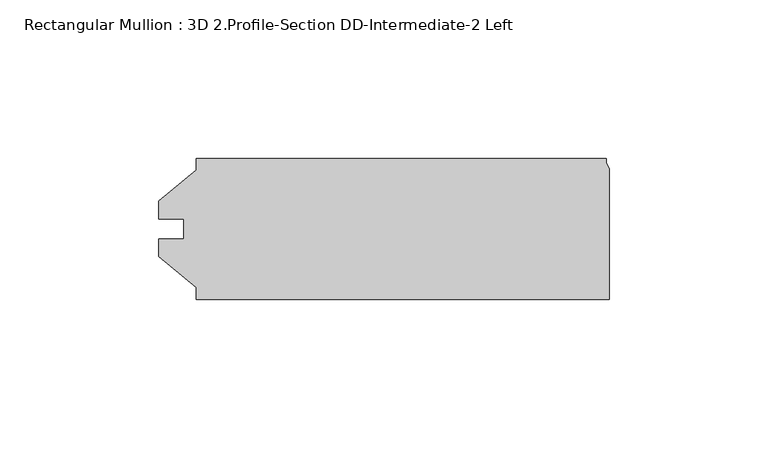
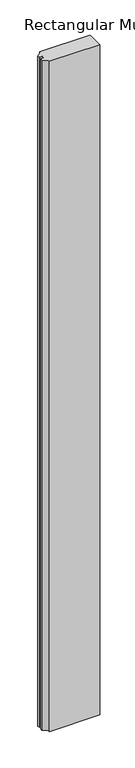
"""IFC4 building model written with IfcOpenShell, lengths in millimetres: member geometry, Rectangular Mullion : 3D 2.Profile-Section DD-Intermediate-2 Left."""

from ifc_helpers import new_model, si_unit, frame, origin, place, context, project, spatial, polyline, outline, extrude, source, transform, mapped, element, save


def rectangular_mullion_3d_2_profile_section_dd_intermediate_2_2018dc99(model_context):
    return source(origin(), model_context, "Body", "SweptSolid", [
        extrude(outline(polyline([(-134.7304426, 22.225), (-5.5714426, 22.225), (-5.5714426, 20.7843636), (-4.5554426, 19.0246), (-4.5554426, -22.225), (-134.7304426, -22.225), (-134.7304426, -18.518836), (-146.6366926, -8.7503), (-146.6366926, -3.175), (-138.6928426, -3.175), (-138.6928426, 3.175), (-146.6366926, 3.175), (-146.6366926, 8.7503), (-134.7304426, 18.518836), (-134.7304426, 22.225)])), frame((0.0, 0.0, -1828.00625), z_axis=(0.0, 0.0, 1.0), x_axis=(1.0, 0.0, 0.0)), (0.0, 0.0, 1.0), 1828.00625),
    ])


if __name__ == "__main__":
    model = new_model("IFC4")
    model_context = context("Model", 3, world=origin())
    ifc_project = project(units=[si_unit("LENGTHUNIT", "METRE", prefix="MILLI")], contexts=[model_context])
    site = spatial("IfcSite", under=ifc_project)
    building = spatial("IfcBuilding", under=site)
    placement = place(None, origin())
    rectangular_mullion_3d_2_profile_section_dd_intermediate_2_shape = rectangular_mullion_3d_2_profile_section_dd_intermediate_2_2018dc99(model_context)
    element("IfcMember", 1, ObjectType="Rectangular Mullion : 3D 2.Profile-Section DD-Intermediate-2 Left", at=placement, inside=building, context=model_context, shape_type="MappedRepresentation", body=[
        mapped(rectangular_mullion_3d_2_profile_section_dd_intermediate_2_shape, transform((0.0, 0.0, 0.0), x_axis=(1.0, 0.0, 0.0), y_axis=(0.0, 1.0, 0.0), z_axis=(0.0, 0.0, 1.0))),
    ])
    save(model, "model.ifc")
